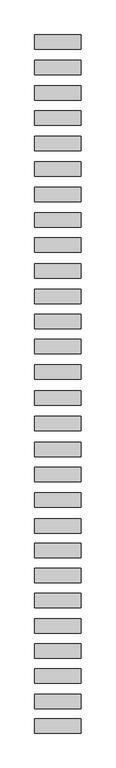
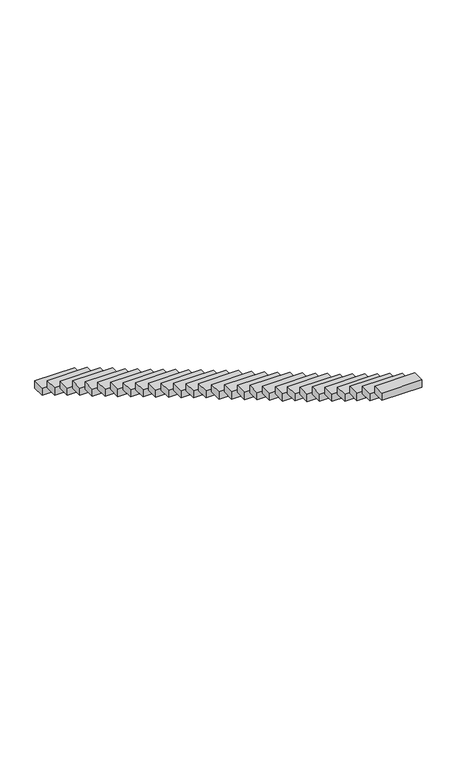
"""IFC4 building model written with IfcOpenShell, lengths in millimetres: proxy geometry."""

from ifc_helpers import new_model, si_unit, frame, origin, place, context, project, spatial, polyline, outline, extrude, source, transform, mapped, element, save


def generic_models_d3607120(model_context):
    return source(origin(), model_context, "Body", "SweptSolid", [
        extrude(outline(polyline([(-610.0, -7058.2617944), (-610.0, -6678.2617944), (610.0, -6678.2617944), (610.0, -7058.2617944), (-610.0, -7058.2617944)])), frame((0.0, 0.0, 4295.056641), z_axis=(0.0, 0.0, 1.0), x_axis=(1.0, 0.0, 0.0)), (0.0, 0.0, 1.0), 230.0),
        extrude(outline(polyline([(-610.0, -6418.5162811), (-610.0, -6038.5162811), (610.0, -6038.5162811), (610.0, -6418.5162811), (-610.0, -6418.5162811)])), frame((0.0, 0.0, 3896.6064978), z_axis=(0.0, 0.0, 1.0), x_axis=(1.0, 0.0, 0.0)), (0.0, 0.0, 1.0), 230.0),
        extrude(outline(polyline([(-610.0, -5748.3407564), (-610.0, -5368.3407564), (610.0, -5368.3407564), (610.0, -5748.3407564), (-610.0, -5748.3407564)])), frame((0.0, 0.0, 3491.8221943), z_axis=(0.0, 0.0, 1.0), x_axis=(1.0, 0.0, 0.0)), (0.0, 0.0, 1.0), 230.0),
        extrude(outline(polyline([(-610.0, -5100.4863846), (-610.0, -4720.4863846), (610.0, -4720.4863846), (610.0, -5100.4863846), (-610.0, -5100.4863846)])), frame((0.0, 0.0, 3072.1516385), z_axis=(0.0, 0.0, 1.0), x_axis=(1.0, 0.0, 0.0)), (0.0, 0.0, 1.0), 230.0),
        extrude(outline(polyline([(-610.0, -4432.6892111), (-610.0, -4052.6892111), (610.0, -4052.6892111), (610.0, -4432.6892111), (-610.0, -4432.6892111)])), frame((0.0, 0.0, 2668.3369906), z_axis=(0.0, 0.0, 1.0), x_axis=(1.0, 0.0, 0.0)), (0.0, 0.0, 1.0), 230.0),
        extrude(outline(polyline([(-610.0, -3770.0784442), (-610.0, -3390.0784442), (610.0, -3390.0784442), (610.0, -3770.0784442), (-610.0, -3770.0784442)])), frame((0.0, 0.0, 2272.5742643), z_axis=(0.0, 0.0, 1.0), x_axis=(1.0, 0.0, 0.0)), (0.0, 0.0, 1.0), 230.0),
        extrude(outline(polyline([(-610.0, -3113.2553062), (-610.0, -2733.2553062), (610.0, -2733.2553062), (610.0, -3113.2553062), (-610.0, -3113.2553062)])), frame((0.0, 0.0, 1862.5420675), z_axis=(0.0, 0.0, 1.0), x_axis=(1.0, 0.0, 0.0)), (0.0, 0.0, 1.0), 230.0),
        extrude(outline(polyline([(-610.0, -2461.1315569), (-610.0, -2081.1315569), (610.0, -2081.1315569), (610.0, -2461.1315569), (-610.0, -2461.1315569)])), frame((0.0, 0.0, 1489.6446059), z_axis=(0.0, 0.0, 1.0), x_axis=(1.0, 0.0, 0.0)), (0.0, 0.0, 1.0), 230.0),
        extrude(outline(polyline([(-610.0, -1811.4431652), (-610.0, -1431.4431652), (610.0, -1431.4431652), (610.0, -1811.4431652), (-610.0, -1811.4431652)])), frame((0.0, 0.0, 1092.2346377), z_axis=(0.0, 0.0, 1.0), x_axis=(1.0, 0.0, 0.0)), (0.0, 0.0, 1.0), 230.0),
        extrude(outline(polyline([(-610.0, -1124.0759648), (-610.0, -744.0759648), (610.0, -744.0759648), (610.0, -1124.0759648), (-610.0, -1124.0759648)])), frame((0.0, 0.0, 695.7977611), z_axis=(0.0, 0.0, 1.0), x_axis=(1.0, 0.0, 0.0)), (0.0, 0.0, 1.0), 230.0),
        extrude(outline(polyline([(-610.0, -465.3615316), (-610.0, -85.3615316), (610.0, -85.3615316), (610.0, -465.3615316), (-610.0, -465.3615316)])), frame((0.0, 0.0, 316.7396034), z_axis=(0.0, 0.0, 1.0), x_axis=(1.0, 0.0, 0.0)), (0.0, 0.0, 1.0), 230.0),
        extrude(outline(polyline([(-610.0, 193.4667988), (-610.0, 573.4667988), (610.0, 573.4667988), (610.0, 193.4667988), (-610.0, 193.4667988)])), frame((0.0, 0.0, -77.5620641), z_axis=(0.0, 0.0, 1.0), x_axis=(1.0, 0.0, 0.0)), (0.0, 0.0, 1.0), 230.0),
        extrude(outline(polyline([(-610.0, 885.0464088), (-610.0, 1265.0464088), (610.0, 1265.0464088), (610.0, 885.0464088), (-610.0, 885.0464088)])), frame((0.0, 0.0, -481.8637316), z_axis=(0.0, 0.0, 1.0), x_axis=(1.0, 0.0, 0.0)), (0.0, 0.0, 1.0), 230.0),
        extrude(outline(polyline([(-610.0, 1551.4395354), (-610.0, 1931.4395354), (610.0, 1931.4395354), (610.0, 1551.4395354), (-610.0, 1551.4395354)])), frame((0.0, 0.0, -882.3829481), z_axis=(0.0, 0.0, 1.0), x_axis=(1.0, 0.0, 0.0)), (0.0, 0.0, 1.0), 230.0),
        extrude(outline(polyline([(-610.0, 2235.3974581), (-610.0, 2615.3974581), (610.0, 2615.3974581), (610.0, 2235.3974581), (-610.0, 2235.3974581)])), frame((0.0, 0.0, -1260.5239194), z_axis=(0.0, 0.0, 1.0), x_axis=(1.0, 0.0, 0.0)), (0.0, 0.0, 1.0), 230.0),
        extrude(outline(polyline([(-610.0, 2894.8993281), (-610.0, 3274.8993281), (610.0, 3274.8993281), (610.0, 2894.8993281), (-610.0, 2894.8993281)])), frame((0.0, 0.0, -1660.5561163), z_axis=(0.0, 0.0, 1.0), x_axis=(1.0, 0.0, 0.0)), (0.0, 0.0, 1.0), 230.0),
        extrude(outline(polyline([(-610.0, 3555.3499083), (-610.0, 3935.3499083), (610.0, 3935.3499083), (610.0, 3555.3499083), (-610.0, 3555.3499083)])), frame((0.0, 0.0, -2053.8837446), z_axis=(0.0, 0.0, 1.0), x_axis=(1.0, 0.0, 0.0)), (0.0, 0.0, 1.0), 230.0),
        extrude(outline(polyline([(-610.0, 4218.765169), (-610.0, 4598.765169), (610.0, 4598.765169), (610.0, 4218.765169), (-610.0, 4218.765169)])), frame((0.0, 0.0, -2447.1184424), z_axis=(0.0, 0.0, 1.0), x_axis=(1.0, 0.0, 0.0)), (0.0, 0.0, 1.0), 230.0),
        extrude(outline(polyline([(-610.0, 4883.2042013), (-610.0, 5263.2042013), (610.0, 5263.2042013), (610.0, 4883.2042013), (-610.0, 4883.2042013)])), frame((0.0, 0.0, -2849.8196274), z_axis=(0.0, 0.0, 1.0), x_axis=(1.0, 0.0, 0.0)), (0.0, 0.0, 1.0), 230.0),
        extrude(outline(polyline([(-610.0, 5563.9312021), (-610.0, 5943.9312021), (610.0, 5943.9312021), (610.0, 5563.9312021), (-610.0, 5563.9312021)])), frame((0.0, 0.0, -3247.6953502), z_axis=(0.0, 0.0, 1.0), x_axis=(1.0, 0.0, 0.0)), (0.0, 0.0, 1.0), 230.0),
        extrude(outline(polyline([(-610.0, 6224.6926504), (-610.0, 6604.6926504), (610.0, 6604.6926504), (610.0, 6224.6926504), (-610.0, 6224.6926504)])), frame((0.0, 0.0, -3645.0256089), z_axis=(0.0, 0.0, 1.0), x_axis=(1.0, 0.0, 0.0)), (0.0, 0.0, 1.0), 230.0),
        extrude(outline(polyline([(-610.0, 6890.8490012), (-610.0, 7270.8490012), (610.0, 7270.8490012), (610.0, 6890.8490012), (-610.0, 6890.8490012)])), frame((0.0, 0.0, -4043.4573233), z_axis=(0.0, 0.0, 1.0), x_axis=(1.0, 0.0, 0.0)), (0.0, 0.0, 1.0), 230.0),
        extrude(outline(polyline([(-610.0, 7564.9043534), (-610.0, 7944.9043534), (610.0, 7944.9043534), (610.0, 7564.9043534), (-610.0, 7564.9043534)])), frame((0.0, 0.0, -4442.3192044), z_axis=(0.0, 0.0, 1.0), x_axis=(1.0, 0.0, 0.0)), (0.0, 0.0, 1.0), 230.0),
        extrude(outline(polyline([(-610.0, 8233.3459716), (-610.0, 8613.3459716), (610.0, 8613.3459716), (610.0, 8233.3459716), (-610.0, 8233.3459716)])), frame((0.0, 0.0, -4845.3455065), z_axis=(0.0, 0.0, 1.0), x_axis=(1.0, 0.0, 0.0)), (0.0, 0.0, 1.0), 230.0),
        extrude(outline(polyline([(-610.0, 8898.7365526), (-610.0, 9278.7365526), (610.0, 9278.7365526), (610.0, 8898.7365526), (-610.0, 8898.7365526)])), frame((0.0, 0.0, -5217.4322554), z_axis=(0.0, 0.0, 1.0), x_axis=(1.0, 0.0, 0.0)), (0.0, 0.0, 1.0), 230.0),
        extrude(outline(polyline([(-610.0, 9559.4051091), (-610.0, 9939.4051091), (610.0, 9939.4051091), (610.0, 9559.4051091), (-610.0, 9559.4051091)])), frame((0.0, 0.0, -5620.9921821), z_axis=(0.0, 0.0, 1.0), x_axis=(1.0, 0.0, 0.0)), (0.0, 0.0, 1.0), 230.0),
        extrude(outline(polyline([(-610.0, 10232.973405), (-610.0, 10612.973405), (610.0, 10612.973405), (610.0, 10232.973405), (-610.0, 10232.973405)])), frame((0.0, 0.0, -6019.0866602), z_axis=(0.0, 0.0, 1.0), x_axis=(1.0, 0.0, 0.0)), (0.0, 0.0, 1.0), 230.0),
        extrude(outline(polyline([(-610.0, 10890.7766694), (-610.0, 11270.7766694), (610.0, 11270.7766694), (610.0, 10890.7766694), (-610.0, 10890.7766694)])), frame((0.0, 0.0, -6423.0585078), z_axis=(0.0, 0.0, 1.0), x_axis=(1.0, 0.0, 0.0)), (0.0, 0.0, 1.0), 230.0),
    ])


if __name__ == "__main__":
    model = new_model("IFC4")
    model_context = context("Model", 3, world=origin())
    ifc_project = project(units=[si_unit("LENGTHUNIT", "METRE", prefix="MILLI")], contexts=[model_context])
    site = spatial("IfcSite", under=ifc_project)
    building = spatial("IfcBuilding", under=site)
    placement = place(None, origin())
    generic_models_shape = generic_models_d3607120(model_context)
    element("IfcBuildingElementProxy", 1, Name="Generic Models", at=placement, inside=building, context=model_context, shape_type="MappedRepresentation", body=[
        mapped(generic_models_shape, transform((0.0, 0.0, 0.0), x_axis=(1.0, 0.0, 0.0), y_axis=(0.0, 1.0, 0.0), z_axis=(0.0, 0.0, 1.0))),
    ])
    save(model, "model.ifc")
